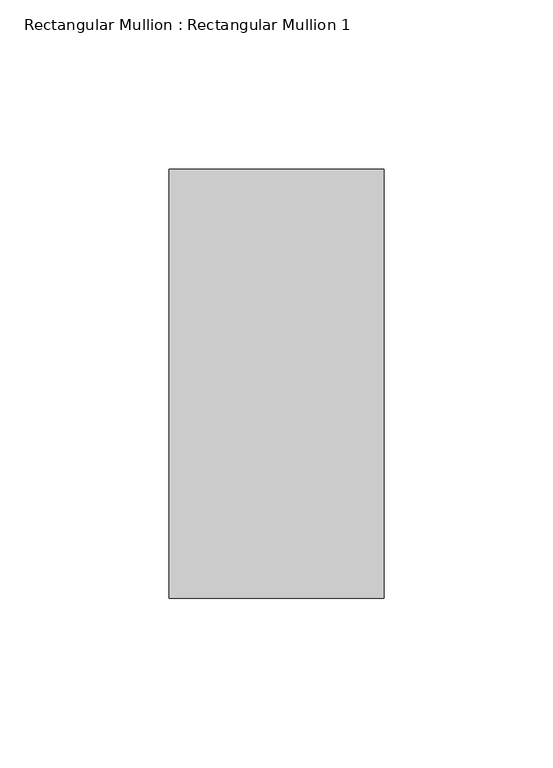
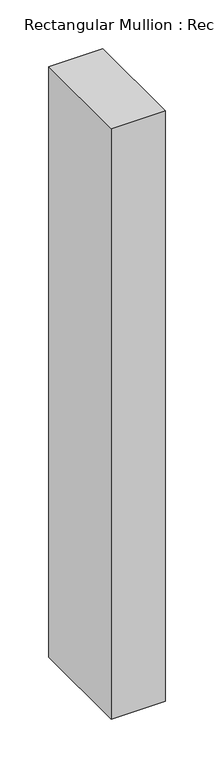
"""IFC4 building model written with IfcOpenShell, lengths in millimetres: member geometry, Rectangular Mullion : Rectangular Mullion 1."""

from ifc_helpers import new_model, si_unit, frame, origin, place, context, project, spatial, polyline, outline, extrude, source, transform, mapped, element, save


def rectangular_mullion_rectangular_mullion_1_5d97aba3(model_context):
    return source(origin(), model_context, "Body", "SweptSolid", [
        extrude(outline(polyline([(0.0, 188.5), (0.0, 61.5), (-63.6, 61.5), (-63.6, 188.5), (0.0, 188.5)])), frame((0.0, 0.0, -736.4), z_axis=(0.0, 0.0, 1.0), x_axis=(1.0, 0.0, 0.0)), (0.0, 0.0, 1.0), 736.4),
    ])


if __name__ == "__main__":
    model = new_model("IFC4")
    model_context = context("Model", 3, world=origin())
    ifc_project = project(units=[si_unit("LENGTHUNIT", "METRE", prefix="MILLI")], contexts=[model_context])
    site = spatial("IfcSite", under=ifc_project)
    building = spatial("IfcBuilding", under=site)
    placement = place(None, origin())
    rectangular_mullion_rectangular_mullion_1_shape = rectangular_mullion_rectangular_mullion_1_5d97aba3(model_context)
    element("IfcMember", 1, ObjectType="Rectangular Mullion : Rectangular Mullion 1", at=placement, inside=building, context=model_context, shape_type="MappedRepresentation", body=[
        mapped(rectangular_mullion_rectangular_mullion_1_shape, transform((0.0, 0.0, 0.0), x_axis=(1.0, 0.0, 0.0), y_axis=(0.0, 1.0, 0.0), z_axis=(0.0, 0.0, 1.0))),
    ])
    save(model, "model.ifc")
